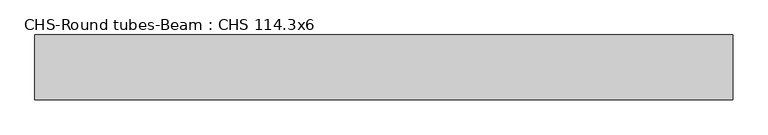
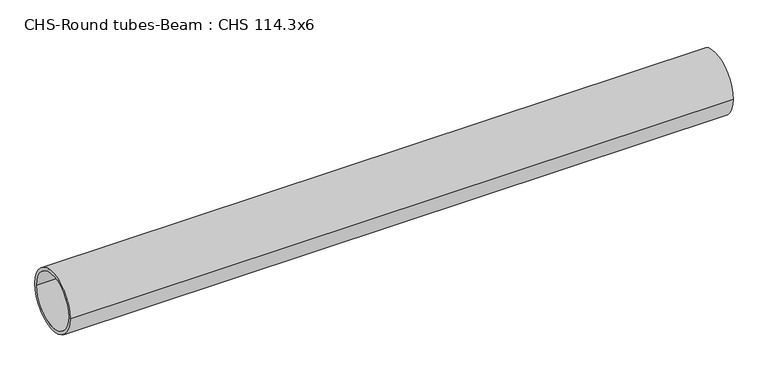
"""IFC4 building model written with IfcOpenShell, lengths in millimetres: beam geometry, CHS-Round tubes-Beam : CHS 114.3x6."""

from ifc_helpers import new_model, si_unit, point, frame, origin, origin_2d, place, context, project, spatial, circle_curve, trimmed, segment, composite_curve, outline, extrude, source, transform, mapped, element, save


def chs_round_tubes_beam_chs_114_3x6_a3d5c77c(model_context):
    return source(origin(), model_context, "Body", "SweptSolid", [
        extrude(outline(composite_curve([segment(trimmed(circle_curve(origin_2d(), 57.15), [point((57.15, 0.0))], [point((-57.15, 0.0))], False, "CARTESIAN"), True, "CONTINUOUS"), segment(trimmed(circle_curve(origin_2d(), 57.15), [point((-57.15, 0.0))], [point((57.15, 0.0))], False, "CARTESIAN"), True, "CONTINUOUS")], self_intersect=False), holes=[composite_curve([segment(trimmed(circle_curve(origin_2d(), 51.15), [point((51.15, 0.0))], [point((-51.15, 0.0))], True, "CARTESIAN"), True, "CONTINUOUS"), segment(trimmed(circle_curve(origin_2d(), 51.15), [point((-51.15, 0.0))], [point((51.15, 0.0))], True, "CARTESIAN"), True, "CONTINUOUS")], self_intersect=False)]), frame((-631.9672122, 0.0, 0.0), z_axis=(1.0, 0.0, 0.0), x_axis=(0.0, 1.0, 0.0)), (0.0, 0.0, 1.0), 1233.5566705),
    ])


if __name__ == "__main__":
    model = new_model("IFC4")
    model_context = context("Model", 3, world=origin())
    ifc_project = project(units=[si_unit("LENGTHUNIT", "METRE", prefix="MILLI")], contexts=[model_context])
    site = spatial("IfcSite", under=ifc_project)
    building = spatial("IfcBuilding", under=site)
    placement = place(None, origin())
    chs_round_tubes_beam_chs_114_3x6_shape = chs_round_tubes_beam_chs_114_3x6_a3d5c77c(model_context)
    element("IfcBeam", 1, ObjectType="CHS-Round tubes-Beam : CHS 114.3x6", at=placement, inside=building, context=model_context, shape_type="MappedRepresentation", body=[
        mapped(chs_round_tubes_beam_chs_114_3x6_shape, transform((0.0, 0.0, 0.0), x_axis=(1.0, 0.0, 0.0), y_axis=(0.0, 1.0, 0.0), z_axis=(0.0, 0.0, 1.0))),
    ])
    save(model, "model.ifc")
